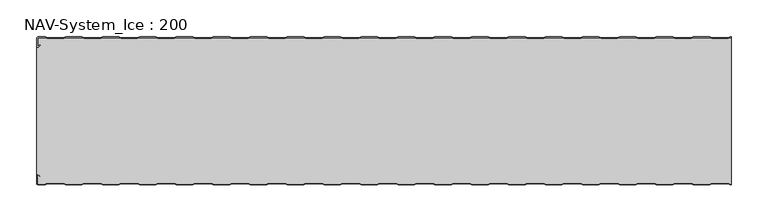
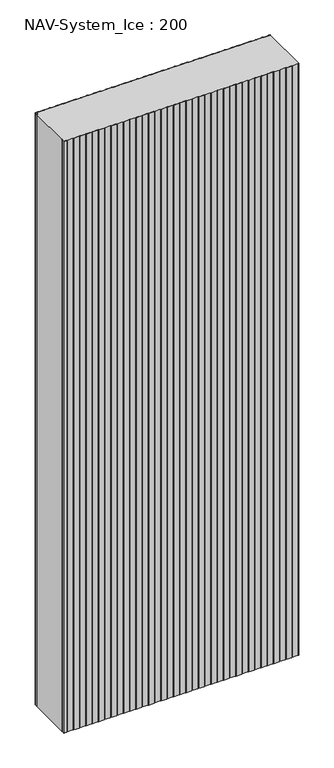
"""IFC4 building model written with IfcOpenShell, lengths in millimetres: plate geometry, NAV-System_Ice : 200."""

from ifc_helpers import new_model, si_unit, point, frame_2d, origin, origin_with_axes, place, context, project, spatial, polyline, circle_curve, trimmed, segment, composite_curve, outline, extrude, source, transform, mapped, element, save


def nav_system_ice_200_79b0bd8d(model_context):
    return source(origin(), model_context, "Body", "SweptSolid", [
        extrude(outline(composite_curve([segment(polyline([(469.1298221, -0.8), (466.1298221, -1.8), (443.8701779, -1.8), (440.8701779, -0.8), (419.1298221, -0.8), (416.1298221, -1.8), (393.8701779, -1.8), (390.8701779, -0.8), (369.1298221, -0.8), (366.1298221, -1.8), (343.8701779, -1.8), (340.8701779, -0.8), (319.1298221, -0.8), (316.1298221, -1.8), (293.8701779, -1.8), (290.8701779, -0.8), (269.1298221, -0.8), (266.1298221, -1.8), (243.8701779, -1.8), (240.8701779, -0.8), (219.1298221, -0.8), (216.1298221, -1.8), (193.8701779, -1.8), (190.8701779, -0.8), (169.1298221, -0.8), (166.1298221, -1.8), (143.8701779, -1.8), (140.8701779, -0.8), (119.1298221, -0.8), (116.1298221, -1.8), (93.8701779, -1.8), (90.8701779, -0.8), (69.1298221, -0.8), (66.1298221, -1.8), (43.8701779, -1.8), (40.8701779, -0.8), (19.1298221, -0.8), (16.1298221, -1.8), (-6.1298221, -1.8), (-9.1298221, -0.8), (-30.8701779, -0.8), (-33.8701779, -1.8), (-56.1298221, -1.8), (-59.1298221, -0.8), (-80.8701779, -0.8), (-83.8701779, -1.8), (-106.1298221, -1.8), (-109.1298221, -0.8), (-130.8701779, -0.8), (-133.8701779, -1.8), (-156.1298221, -1.8), (-159.1298221, -0.8), (-180.8701779, -0.8), (-183.8701779, -1.8), (-206.1298221, -1.8), (-209.1298221, -0.8), (-230.8701779, -0.8), (-233.8701779, -1.8), (-256.1298221, -1.8), (-259.1298221, -0.8), (-280.8701779, -0.8), (-283.8701779, -1.8), (-306.1298221, -1.8), (-309.1298221, -0.8), (-330.8701779, -0.8), (-333.8701779, -1.8), (-356.1298221, -1.8), (-359.1298221, -0.8), (-380.8701779, -0.8), (-383.8701779, -1.8), (-406.1298221, -1.8), (-409.1298221, -0.8), (-430.8701779, -0.8), (-433.8701779, -1.8), (-456.1298221, -1.8), (-459.1298221, -0.8), (-468.7, -0.8)]), True, "CONTINUOUS"), segment(trimmed(circle_curve(frame_2d((-468.7, -1.3)), 0.5), [point((-468.7, -0.8))], [point((-469.2, -1.3))], True, "CARTESIAN"), True, "CONTINUOUS"), segment(polyline([(-469.2, -1.3), (-469.2, -12.5857864)]), True, "CONTINUOUS"), segment(trimmed(circle_curve(frame_2d((-468.7, -12.5857864)), 0.5), [point((-469.2, -12.5857864))], [point((-468.3464466, -12.9393398))], True, "CARTESIAN"), True, "CONTINUOUS"), segment(polyline([(-468.3464466, -12.9393398), (-465.9205321, -10.5134253), (-465.3548467, -11.0791108), (-467.7807612, -13.5050253)]), True, "CONTINUOUS"), segment(trimmed(circle_curve(frame_2d((-468.7, -12.5857864)), 1.3), [point((-467.7807612, -13.5050253))], [point((-470.0, -12.5857864))], False, "CARTESIAN"), True, "CONTINUOUS"), segment(polyline([(-470.0, -12.5857864), (-470.0, -1.3)]), True, "CONTINUOUS"), segment(trimmed(circle_curve(frame_2d((-468.7, -1.3)), 1.3), [point((-470.0, -1.3))], [point((-468.7, 0.0))], False, "CARTESIAN"), True, "CONTINUOUS"), segment(polyline([(-468.7, 0.0), (-459.0, 0.0), (-456.0, -1.0), (-434.0, -1.0), (-431.0, 0.0), (-409.0, 0.0), (-406.0, -1.0), (-384.0, -1.0), (-381.0, 0.0), (-359.0, 0.0), (-356.0, -1.0), (-334.0, -1.0), (-331.0, 0.0), (-309.0, 0.0), (-306.0, -1.0), (-284.0, -1.0), (-281.0, 0.0), (-259.0, 0.0), (-256.0, -1.0), (-234.0, -1.0), (-231.0, 0.0), (-209.0, 0.0), (-206.0, -1.0), (-184.0, -1.0), (-181.0, 0.0), (-159.0, 0.0), (-156.0, -1.0), (-134.0, -1.0), (-131.0, 0.0), (-109.0, 0.0), (-106.0, -1.0), (-84.0, -1.0), (-81.0, 0.0), (-59.0, 0.0), (-56.0, -1.0), (-34.0, -1.0), (-31.0, 0.0), (-9.0, 0.0), (-6.0, -1.0), (16.0, -1.0), (19.0, 0.0), (41.0, 0.0), (44.0, -1.0), (66.0, -1.0), (69.0, 0.0), (91.0, 0.0), (94.0, -1.0), (116.0, -1.0), (119.0, 0.0), (141.0, 0.0), (144.0, -1.0), (166.0, -1.0), (169.0, 0.0), (191.0, 0.0), (194.0, -1.0), (216.0, -1.0), (219.0, 0.0), (241.0, 0.0), (244.0, -1.0), (266.0, -1.0), (269.0, 0.0), (291.0, 0.0), (294.0, -1.0), (316.0, -1.0), (319.0, 0.0), (341.0, 0.0), (344.0, -1.0), (366.0, -1.0), (369.0, 0.0), (391.0, 0.0), (394.0, -1.0), (416.0, -1.0), (419.0, 0.0), (441.0, 0.0), (444.0, -1.0), (466.0, -1.0), (469.0, 0.0), (470.0, 0.0), (470.0, -0.8), (469.1298221, -0.8)]), True, "CONTINUOUS")], self_intersect=False)), origin_with_axes(), (0.0, 0.0, 1.0), 2500.0),
        extrude(outline(composite_curve([segment(polyline([(469.1298221, -199.2), (466.1298221, -198.2), (443.8701779, -198.2), (440.8701779, -199.2), (419.1298221, -199.2), (416.1298221, -198.2), (393.8701779, -198.2), (390.8701779, -199.2), (369.1298221, -199.2), (366.1298221, -198.2), (343.8701779, -198.2), (340.8701779, -199.2), (319.1298221, -199.2), (316.1298221, -198.2), (293.8701779, -198.2), (290.8701779, -199.2), (269.1298221, -199.2), (266.1298221, -198.2), (243.8701779, -198.2), (240.8701779, -199.2), (219.1298221, -199.2), (216.1298221, -198.2), (193.8701779, -198.2), (190.8701779, -199.2), (169.1298221, -199.2), (166.1298221, -198.2), (143.8701779, -198.2), (140.8701779, -199.2), (119.1298221, -199.2), (116.1298221, -198.2), (93.8701779, -198.2), (90.8701779, -199.2), (69.1298221, -199.2), (66.1298221, -198.2), (43.8701779, -198.2), (40.8701779, -199.2), (19.1298221, -199.2), (16.1298221, -198.2), (-6.1298221, -198.2), (-9.1298221, -199.2), (-30.8701779, -199.2), (-33.8701779, -198.2), (-56.1298221, -198.2), (-59.1298221, -199.2), (-80.8701779, -199.2), (-83.8701779, -198.2), (-106.1298221, -198.2), (-109.1298221, -199.2), (-130.8701779, -199.2), (-133.8701779, -198.2), (-156.1298221, -198.2), (-159.1298221, -199.2), (-180.8701779, -199.2), (-183.8701779, -198.2), (-206.1298221, -198.2), (-209.1298221, -199.2), (-230.8701779, -199.2), (-233.8701779, -198.2), (-256.1298221, -198.2), (-259.1298221, -199.2), (-280.8701779, -199.2), (-283.8701779, -198.2), (-306.1298221, -198.2), (-309.1298221, -199.2), (-330.8701779, -199.2), (-333.8701779, -198.2), (-356.1298221, -198.2), (-359.1298221, -199.2), (-380.8701779, -199.2), (-383.8701779, -198.2), (-406.1298221, -198.2), (-409.1298221, -199.2), (-430.8701779, -199.2), (-433.8701779, -198.2), (-456.1298221, -198.2), (-459.1298221, -199.2), (-468.7, -199.2)]), True, "CONTINUOUS"), segment(trimmed(circle_curve(frame_2d((-468.7, -198.7)), 0.5), [point((-468.7, -199.2))], [point((-469.2, -198.7))], False, "CARTESIAN"), True, "CONTINUOUS"), segment(polyline([(-469.2, -198.7), (-469.2, -187.4142136)]), True, "CONTINUOUS"), segment(trimmed(circle_curve(frame_2d((-468.7, -187.4142136)), 0.5), [point((-469.2, -187.4142136))], [point((-468.3464466, -187.0606602))], False, "CARTESIAN"), True, "CONTINUOUS"), segment(polyline([(-468.3464466, -187.0606602), (-465.9205321, -189.4865747), (-465.3548467, -188.9208892), (-467.7807612, -186.4949747)]), True, "CONTINUOUS"), segment(trimmed(circle_curve(frame_2d((-468.7, -187.4142136)), 1.3), [point((-467.7807612, -186.4949747))], [point((-468.7, -186.1142136))], True, "CARTESIAN"), True, "CONTINUOUS"), segment(polyline([(-468.7, -186.1142136), (-470.0, -186.1142136), (-470.0, -13.8857864), (-468.7, -13.8857864)]), True, "CONTINUOUS"), segment(trimmed(circle_curve(frame_2d((-468.7, -12.5857864)), 1.3), [point((-468.7, -13.8857864))], [point((-467.7807612, -13.5050253))], True, "CARTESIAN"), True, "CONTINUOUS"), segment(polyline([(-467.7807612, -13.5050253), (-465.3548467, -11.0791108), (-465.9205321, -10.5134253), (-468.3464466, -12.9393398)]), True, "CONTINUOUS"), segment(trimmed(circle_curve(frame_2d((-468.7, -12.5857864)), 0.5), [point((-468.3464466, -12.9393398))], [point((-469.2, -12.5857864))], False, "CARTESIAN"), True, "CONTINUOUS"), segment(polyline([(-469.2, -12.5857864), (-469.2, -1.3)]), True, "CONTINUOUS"), segment(trimmed(circle_curve(frame_2d((-468.7, -1.3)), 0.5), [point((-469.2, -1.3))], [point((-468.7, -0.8))], False, "CARTESIAN"), True, "CONTINUOUS"), segment(polyline([(-468.7, -0.8), (-459.1298221, -0.8), (-456.1298221, -1.8), (-433.8701779, -1.8), (-430.8701779, -0.8), (-409.1298221, -0.8), (-406.1298221, -1.8), (-383.8701779, -1.8), (-380.8701779, -0.8), (-359.1298221, -0.8), (-356.1298221, -1.8), (-333.8701779, -1.8), (-330.8701779, -0.8), (-309.1298221, -0.8), (-306.1298221, -1.8), (-283.8701779, -1.8), (-280.8701779, -0.8), (-259.1298221, -0.8), (-256.1298221, -1.8), (-233.8701779, -1.8), (-230.8701779, -0.8), (-209.1298221, -0.8), (-206.1298221, -1.8), (-183.8701779, -1.8), (-180.8701779, -0.8), (-159.1298221, -0.8), (-156.1298221, -1.8), (-133.8701779, -1.8), (-130.8701779, -0.8), (-109.1298221, -0.8), (-106.1298221, -1.8), (-83.8701779, -1.8), (-80.8701779, -0.8), (-59.1298221, -0.8), (-56.1298221, -1.8), (-33.8701779, -1.8), (-30.8701779, -0.8), (-9.1298221, -0.8), (-6.1298221, -1.8), (16.1298221, -1.8), (19.1298221, -0.8), (40.8701779, -0.8), (43.8701779, -1.8), (66.1298221, -1.8), (69.1298221, -0.8), (90.8701779, -0.8), (93.8701779, -1.8), (116.1298221, -1.8), (119.1298221, -0.8), (140.8701779, -0.8), (143.8701779, -1.8), (166.1298221, -1.8), (169.1298221, -0.8), (190.8701779, -0.8), (193.8701779, -1.8), (216.1298221, -1.8), (219.1298221, -0.8), (240.8701779, -0.8), (243.8701779, -1.8), (266.1298221, -1.8), (269.1298221, -0.8), (290.8701779, -0.8), (293.8701779, -1.8), (316.1298221, -1.8), (319.1298221, -0.8), (340.8701779, -0.8), (343.8701779, -1.8), (366.1298221, -1.8), (369.1298221, -0.8), (390.8701779, -0.8), (393.8701779, -1.8), (416.1298221, -1.8), (419.1298221, -0.8), (440.8701779, -0.8), (443.8701779, -1.8), (466.1298221, -1.8), (469.1298221, -0.8), (470.0, -0.8), (470.0, -199.2), (469.1298221, -199.2)]), True, "CONTINUOUS")], self_intersect=False)), origin_with_axes(), (0.0, 0.0, 1.0), 2500.0),
        extrude(outline(composite_curve([segment(polyline([(469.0, -200.0), (466.0, -199.0), (444.0, -199.0), (441.0, -200.0), (419.0, -200.0), (416.0, -199.0), (394.0, -199.0), (391.0, -200.0), (369.0, -200.0), (366.0, -199.0), (344.0, -199.0), (341.0, -200.0), (319.0, -200.0), (316.0, -199.0), (294.0, -199.0), (291.0, -200.0), (269.0, -200.0), (266.0, -199.0), (244.0, -199.0), (241.0, -200.0), (219.0, -200.0), (216.0, -199.0), (194.0, -199.0), (191.0, -200.0), (169.0, -200.0), (166.0, -199.0), (144.0, -199.0), (141.0, -200.0), (119.0, -200.0), (116.0, -199.0), (94.0, -199.0), (91.0, -200.0), (69.0, -200.0), (66.0, -199.0), (44.0, -199.0), (41.0, -200.0), (19.0, -200.0), (16.0, -199.0), (-6.0, -199.0), (-9.0, -200.0), (-31.0, -200.0), (-34.0, -199.0), (-56.0, -199.0), (-59.0, -200.0), (-81.0, -200.0), (-84.0, -199.0), (-106.0, -199.0), (-109.0, -200.0), (-131.0, -200.0), (-134.0, -199.0), (-156.0, -199.0), (-159.0, -200.0), (-181.0, -200.0), (-184.0, -199.0), (-206.0, -199.0), (-209.0, -200.0), (-231.0, -200.0), (-234.0, -199.0), (-256.0, -199.0), (-259.0, -200.0), (-281.0, -200.0), (-284.0, -199.0), (-306.0, -199.0), (-309.0, -200.0), (-331.0, -200.0), (-334.0, -199.0), (-356.0, -199.0), (-359.0, -200.0), (-381.0, -200.0), (-384.0, -199.0), (-406.0, -199.0), (-409.0, -200.0), (-431.0, -200.0), (-434.0, -199.0), (-456.0, -199.0), (-459.0, -200.0), (-468.7, -200.0)]), True, "CONTINUOUS"), segment(trimmed(circle_curve(frame_2d((-468.7, -198.7)), 1.3), [point((-468.7, -200.0))], [point((-470.0, -198.7))], False, "CARTESIAN"), True, "CONTINUOUS"), segment(polyline([(-470.0, -198.7), (-470.0, -187.4142136)]), True, "CONTINUOUS"), segment(trimmed(circle_curve(frame_2d((-468.7, -187.4142136)), 1.3), [point((-470.0, -187.4142136))], [point((-467.7807612, -186.4949747))], False, "CARTESIAN"), True, "CONTINUOUS"), segment(polyline([(-467.7807612, -186.4949747), (-465.3548467, -188.9208892), (-465.9205321, -189.4865747), (-468.3464466, -187.0606602)]), True, "CONTINUOUS"), segment(trimmed(circle_curve(frame_2d((-468.7, -187.4142136)), 0.5), [point((-468.3464466, -187.0606602))], [point((-469.2, -187.4142136))], True, "CARTESIAN"), True, "CONTINUOUS"), segment(polyline([(-469.2, -187.4142136), (-469.2, -198.7)]), True, "CONTINUOUS"), segment(trimmed(circle_curve(frame_2d((-468.7, -198.7)), 0.5), [point((-469.2, -198.7))], [point((-468.7, -199.2))], True, "CARTESIAN"), True, "CONTINUOUS"), segment(polyline([(-468.7, -199.2), (-459.1298221, -199.2), (-456.1298221, -198.2), (-433.8701779, -198.2), (-430.8701779, -199.2), (-409.1298221, -199.2), (-406.1298221, -198.2), (-383.8701779, -198.2), (-380.8701779, -199.2), (-359.1298221, -199.2), (-356.1298221, -198.2), (-333.8701779, -198.2), (-330.8701779, -199.2), (-309.1298221, -199.2), (-306.1298221, -198.2), (-283.8701779, -198.2), (-280.8701779, -199.2), (-259.1298221, -199.2), (-256.1298221, -198.2), (-233.8701779, -198.2), (-230.8701779, -199.2), (-209.1298221, -199.2), (-206.1298221, -198.2), (-183.8701779, -198.2), (-180.8701779, -199.2), (-159.1298221, -199.2), (-156.1298221, -198.2), (-133.8701779, -198.2), (-130.8701779, -199.2), (-109.1298221, -199.2), (-106.1298221, -198.2), (-83.8701779, -198.2), (-80.8701779, -199.2), (-59.1298221, -199.2), (-56.1298221, -198.2), (-33.8701779, -198.2), (-30.8701779, -199.2), (-9.1298221, -199.2), (-6.1298221, -198.2), (16.1298221, -198.2), (19.1298221, -199.2), (40.8701779, -199.2), (43.8701779, -198.2), (66.1298221, -198.2), (69.1298221, -199.2), (90.8701779, -199.2), (93.8701779, -198.2), (116.1298221, -198.2), (119.1298221, -199.2), (140.8701779, -199.2), (143.8701779, -198.2), (166.1298221, -198.2), (169.1298221, -199.2), (190.8701779, -199.2), (193.8701779, -198.2), (216.1298221, -198.2), (219.1298221, -199.2), (240.8701779, -199.2), (243.8701779, -198.2), (266.1298221, -198.2), (269.1298221, -199.2), (290.8701779, -199.2), (293.8701779, -198.2), (316.1298221, -198.2), (319.1298221, -199.2), (340.8701779, -199.2), (343.8701779, -198.2), (366.1298221, -198.2), (369.1298221, -199.2), (390.8701779, -199.2), (393.8701779, -198.2), (416.1298221, -198.2), (419.1298221, -199.2), (440.8701779, -199.2), (443.8701779, -198.2), (466.1298221, -198.2), (469.1298221, -199.2), (470.0, -199.2), (470.0, -200.0), (469.0, -200.0)]), True, "CONTINUOUS")], self_intersect=False)), origin_with_axes(), (0.0, 0.0, 1.0), 2500.0),
    ])


if __name__ == "__main__":
    model = new_model("IFC4")
    model_context = context("Model", 3, world=origin())
    ifc_project = project(units=[si_unit("LENGTHUNIT", "METRE", prefix="MILLI")], contexts=[model_context])
    site = spatial("IfcSite", under=ifc_project)
    building = spatial("IfcBuilding", under=site)
    placement = place(None, origin())
    nav_system_ice_200_shape = nav_system_ice_200_79b0bd8d(model_context)
    element("IfcPlate", 1, ObjectType="NAV-System_Ice : 200", at=placement, inside=building, context=model_context, shape_type="MappedRepresentation", body=[
        mapped(nav_system_ice_200_shape, transform((0.0, 0.0, 0.0), x_axis=(1.0, 0.0, 0.0), y_axis=(0.0, 1.0, 0.0), z_axis=(0.0, 0.0, 1.0))),
    ])
    save(model, "model.ifc")
